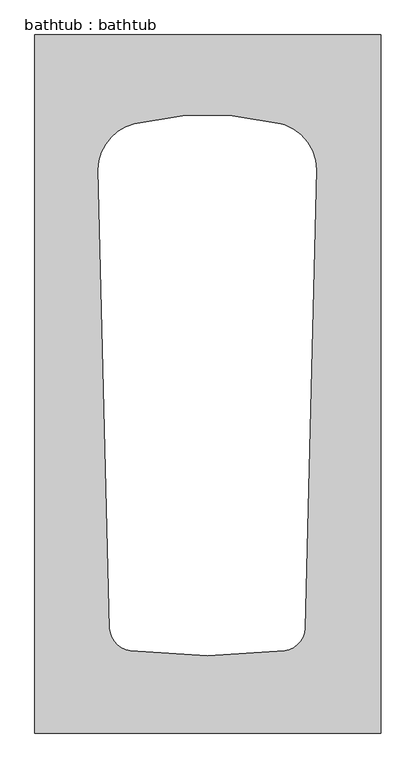
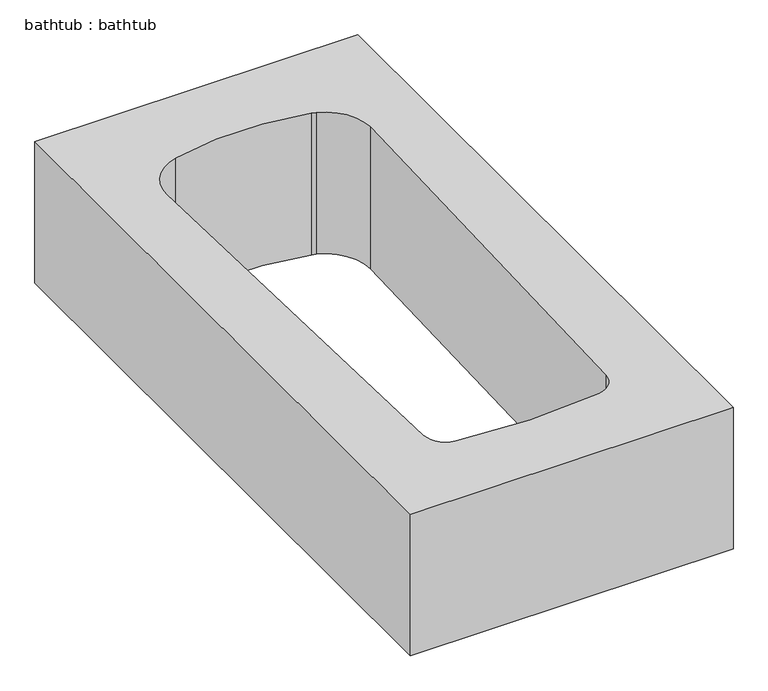
"""IFC4 building model written with IfcOpenShell, lengths in millimetres: proxy geometry, bathtub : bathtub."""

import ifcopenshell
import ifcopenshell.guid

model = None  # the IFC model being written
_history = None  # IfcOwnerHistory: only IFC2X3 demands one
_inside = {}  # id of a spatial element -> (the spatial element, [elements in it])
_under = {}  # id of a project, library or spatial element -> (it, [spatial elements below it])
_declared = {}  # id of a project -> (the project, [libraries it declares])
_typed = {}  # id of a type object -> (the type object, [elements of that type])
_made_of = {}  # id of a material, layer set ... -> (it, [elements and type objects made of it])


def new_model(schema):
    """Start an empty IFC model of exactly this schema.

    Asked for "IFC4X3", IfcOpenShell would pick the latest addendum, in which some entities
    have other attributes; the version numbers below select the first issue.
    IFC2X3 requires an IfcOwnerHistory on every rooted entity: one is made here for all.
    """
    global model, _history
    if schema == "IFC4X3":
        model = ifcopenshell.file(schema_version=(4, 3, 0, 0))
    else:
        model = ifcopenshell.file(schema=schema)
    _inside.clear()
    _under.clear()
    _declared.clear()
    _typed.clear()
    _made_of.clear()
    _history = None
    if model.schema == "IFC2X3":
        org = make("IfcOrganization", Name="unknown")
        user = make(
            "IfcPersonAndOrganization",
            ThePerson=make("IfcPerson", FamilyName="unknown"),
            TheOrganization=org,
        )
        app = make(
            "IfcApplication",
            ApplicationDeveloper=org,
            Version="unknown",
            ApplicationFullName="unknown",
            ApplicationIdentifier="unknown",
        )
        _history = make(
            "IfcOwnerHistory",
            OwningUser=user,
            OwningApplication=app,
            ChangeAction="ADDED",
            CreationDate=0,
        )
    return model


def make(cls, **values):
    """One entity of the class cls with the attributes given. An attribute that is None is left unset."""
    return model.create_entity(
        cls, **{name: value for name, value in values.items() if value is not None}
    )


def rooted(cls, **values):
    """An entity with a GlobalId (a new one), such as an element, a storey or a relation."""
    return make(cls, GlobalId=ifcopenshell.guid.new(), OwnerHistory=_history, **values)


def si_unit(unit_type, name, prefix=None):
    """IfcSIUnit, for example si_unit("LENGTHUNIT", "METRE", prefix="MILLI")."""
    return make("IfcSIUnit", UnitType=unit_type, Prefix=prefix, Name=name)


def assignment(units):
    """IfcUnitAssignment: the units of a project."""
    return None if units is None else make("IfcUnitAssignment", Units=units)


def point(xyz):
    """IfcCartesianPoint."""
    return None if xyz is None else make("IfcCartesianPoint", Coordinates=xyz)


def direction(xyz):
    """IfcDirection."""
    return None if xyz is None else make("IfcDirection", DirectionRatios=xyz)


def frame(location, z_axis=None, x_axis=None):
    """IfcAxis2Placement3D, a coordinate frame: its origin and axes. An axis left out is left unset."""
    return make(
        "IfcAxis2Placement3D",
        Location=point(location),
        Axis=direction(z_axis),
        RefDirection=direction(x_axis),
    )


def origin():
    """The frame at (0, 0, 0) with its axes left unset."""
    return frame((0.0, 0.0, 0.0))


def place(relative_to, where):
    """IfcLocalPlacement: puts the frame where relative to a parent placement (None: the world)."""
    return make(
        "IfcLocalPlacement", PlacementRelTo=relative_to, RelativePlacement=where
    )


def context(
    kind, dimensions, precision=None, world=None, true_north=None, identifier=None
):
    """IfcGeometricRepresentationContext, for example the 3D "Model" context."""
    return make(
        "IfcGeometricRepresentationContext",
        ContextIdentifier=identifier,
        ContextType=kind,
        CoordinateSpaceDimension=dimensions,
        Precision=precision,
        WorldCoordinateSystem=world,
        TrueNorth=true_north,
    )


def project(units=None, contexts=None):
    """IfcProject with its units and contexts."""
    return rooted(
        "IfcProject",
        Name="project",
        RepresentationContexts=contexts,
        UnitsInContext=assignment(units),
    )


def spatial(cls, under=None, at=None, **own):
    """A site, building, storey or space (cls), placed at a placement, below another one or the project."""
    s = rooted(cls, ObjectPlacement=at, **own)
    if under is not None:
        _under.setdefault(under.id(), (under, []))[1].append(s)
    return s


def polyline(points):
    """IfcPolyline through the points."""
    return make("IfcPolyline", Points=[point(p) for p in points])


def circle_curve(where, radius):
    """IfcCircle in the frame where."""
    return make("IfcCircle", Position=where, Radius=radius)


def shape(context_of_items, identifier, shape_type, items):
    """IfcShapeRepresentation: the items that make up one representation, for example the "Body"."""
    return make(
        "IfcShapeRepresentation",
        ContextOfItems=context_of_items,
        RepresentationIdentifier=identifier,
        RepresentationType=shape_type,
        Items=items,
    )


def source(mapping_origin, context_of_items, identifier, shape_type, items):
    """IfcRepresentationMap: a shape defined once, which mapped items show again and again."""
    return make(
        "IfcRepresentationMap",
        MappingOrigin=mapping_origin,
        MappedRepresentation=shape(context_of_items, identifier, shape_type, items),
    )


def transform(
    local_origin,
    x_axis=None,
    y_axis=None,
    z_axis=None,
    scale=None,
    scale2=None,
    scale3=None,
    uniform=True,
):
    """IfcCartesianTransformationOperator3D, or its non-uniform kind. x_axis, y_axis, z_axis: its Axis1, 2, 3."""
    if uniform:
        return make(
            "IfcCartesianTransformationOperator3D",
            Axis1=direction(x_axis),
            Axis2=direction(y_axis),
            LocalOrigin=point(local_origin),
            Scale=scale,
            Axis3=direction(z_axis),
        )
    return make(
        "IfcCartesianTransformationOperator3DnonUniform",
        Axis1=direction(x_axis),
        Axis2=direction(y_axis),
        LocalOrigin=point(local_origin),
        Scale=scale,
        Axis3=direction(z_axis),
        Scale2=scale2,
        Scale3=scale3,
    )


def mapped(mapping_source, mapping_target):
    """IfcMappedItem: shows the shape of a source again, moved by a transform."""
    return make(
        "IfcMappedItem", MappingSource=mapping_source, MappingTarget=mapping_target
    )


def made_of(thing, what):
    """Note that an element or type object is made of a material, layer set ...; save() writes the relation."""
    if what is not None:
        _made_of.setdefault(what.id(), (what, []))[1].append(thing)
    return thing


def element(
    cls,
    number,
    at=None,
    inside=None,
    cuts=None,
    type_object=None,
    material=None,
    context=None,
    identifier="Body",
    shape_type=None,
    held_by="IfcProductDefinitionShape",
    body=None,
    shapes=None,
    **own,
):
    """One element of the class cls, such as IfcWall. Its Tag is "e" and its number.

    at: its placement. inside: the storey or other place that contains it. cuts: it is an
    opening in that element (IfcRelVoidsElement). A single representation is given by context,
    identifier, shape_type and body (its items); several are given by shapes. held_by: the class
    of the entity that holds the representations. save() writes the other relations.
    """
    e = rooted(cls, Tag="e%d" % number, ObjectPlacement=at, **own)
    if body is not None:
        shapes = [shape(context, identifier, shape_type, body)]
    if shapes is not None:
        e.Representation = make(held_by, Representations=shapes)
    if inside is not None:
        _inside.setdefault(inside.id(), (inside, []))[1].append(e)
    if cuts is not None:
        rooted(
            "IfcRelVoidsElement", RelatingBuildingElement=cuts, RelatedOpeningElement=e
        )
    if type_object is not None:
        _typed.setdefault(type_object.id(), (type_object, []))[1].append(e)
    return made_of(e, material)


def aggregate(whole, parts):
    """IfcRelAggregates: a whole, such as a stair, and the parts it consists of."""
    return rooted("IfcRelAggregates", RelatingObject=whole, RelatedObjects=parts)


def save(model, path):
    """Write the relations noted so far, then the file.

    IfcRelAggregates (storeys below a building ...), IfcRelContainedInSpatialStructure (elements
    in a storey), IfcRelDefinesByType, IfcRelAssociatesMaterial and IfcRelDeclares: one each for
    every whole, place, type object, material and project.
    """
    for whole, parts in _under.values():
        aggregate(whole, parts)
    for where, things in _inside.values():
        rooted(
            "IfcRelContainedInSpatialStructure",
            RelatedElements=things,
            RelatingStructure=where,
        )
    for kind, things in _typed.values():
        rooted("IfcRelDefinesByType", RelatedObjects=things, RelatingType=kind)
    for what, things in _made_of.values():
        rooted("IfcRelAssociatesMaterial", RelatedObjects=things, RelatingMaterial=what)
    for by, libraries in _declared.values():
        rooted("IfcRelDeclares", RelatingContext=by, RelatedDefinitions=libraries)
    model.write(path)


def plane_surface(at):
    """IfcPlane: the flat surface through the origin of the frame at, square to its z axis."""
    return make("IfcPlane", Position=at)


def revolved_surface(curve, axis_point, axis_direction):
    """IfcSurfaceOfRevolution: the curve turned about the line through axis_point along axis_direction."""
    return make(
        "IfcSurfaceOfRevolution",
        SweptCurve=make("IfcArbitraryOpenProfileDef", ProfileType="CURVE", Curve=curve),
        AxisPosition=make("IfcAxis1Placement", Location=point(axis_point), Axis=direction(axis_direction)),
    )


def advanced_brep(points, edges, surfaces, faces):
    """IfcAdvancedBrep: a solid bounded by faces that lie on surfaces and meet in shared edges.

    An edge is (start, end): straight between two places in points (the first is 0);
    or (start, end, curve); or (start, end, curve, False) where it runs against its curve.
    A face is (place in surfaces, loops), or (place, loops, False) where it looks against
    its surface's normal. A loop lists edges by number (the first is 1), with a minus sign
    where the edge is run from its end to its start. The first loop is the outer one.
    """
    corners = [point(p) for p in points]
    vertices = [make("IfcVertexPoint", VertexGeometry=c) for c in corners]
    made = []
    for start, end, *more in edges:
        made.append(
            make(
                "IfcEdgeCurve",
                EdgeStart=vertices[start],
                EdgeEnd=vertices[end],
                EdgeGeometry=more[0] if more else make("IfcPolyline", Points=[corners[start], corners[end]]),
                SameSense=more[1] if len(more) > 1 else True,
            )
        )
    hull = []
    for where, loops, *sense in faces:
        bounds = []
        for j, loop in enumerate(loops):
            ring = [make("IfcOrientedEdge", EdgeElement=made[abs(k) - 1], Orientation=k > 0) for k in loop]
            bounds.append(
                make(
                    "IfcFaceOuterBound" if j == 0 else "IfcFaceBound",
                    Bound=make("IfcEdgeLoop", EdgeList=ring),
                    Orientation=True,
                )
            )
        hull.append(make("IfcAdvancedFace", Bounds=bounds, FaceSurface=surfaces[where], SameSense=sense[0] if sense else True))
    return make("IfcAdvancedBrep", Outer=make("IfcClosedShell", CfsFaces=hull))


def bathtub_bathtub_d71c1598(model_context):
    return source(origin(), model_context, "Body", "AdvancedBrep", [
        advanced_brep(
        [(-7340.862097, 10234.8501285, 3556.0206095), (-8436.0823603, 10234.8501285, 3556.0206095), (-8436.0823603, 8028.2251285, 3556.0206095), (-7340.862097, 8028.2251285, 3556.0206095), (-8120.4916473, 9954.3464392, 3556.0206095), (-7659.4634325, 9954.3440005, 3556.0206095), (-7646.4021302, 9950.3352717, 3556.0206095), (-7544.6632956, 9808.0840734, 3556.0206095), (-7581.1592395, 8359.6173934, 3556.0206095), (-7646.7474528, 8288.1387736, 3556.0206095), (-8133.4286656, 8288.1387736, 3556.0206095), (-8199.0109378, 8359.5057541, 3556.0206095), (-8235.5128228, 9808.0840734, 3556.0206095), (-7340.862097, 10234.8501285, 3048.0), (-7340.862097, 8028.2251285, 3048.0), (-8436.0823603, 8028.2251285, 3048.0), (-8436.0823603, 10234.8501285, 3048.0), (-8120.4916473, 9954.3464394, 3048.0), (-8235.5128228, 9808.0840734, 3048.0), (-8199.0168789, 8359.6173934, 3048.0), (-8133.4286656, 8288.1387736, 3048.0), (-7646.7474528, 8288.1387736, 3048.0), (-7581.1651806, 8359.5057541, 3048.0), (-7544.6632956, 9808.0840734, 3048.0), (-7646.4021302, 9950.3352717, 3048.0), (-7659.4634325, 9954.3440005, 3048.0)],
        [
            (0, 1),
            (1, 2),
            (2, 3),
            (3, 0),
            (4, 5, circle_curve(frame((-7889.9823604, 9043.0389271, 3556.0206095), z_axis=(0.0, 0.0, -1.0), x_axis=(0.0, 1.0, 0.0)), 940.0084643)),
            (5, 6),
            (6, 7, circle_curve(frame((-7697.0560657, 9806.5996157, 3556.0206095), z_axis=(0.0, 0.0, -1.0), x_axis=(0.0, 1.0, 0.0)), 152.4)),
            (7, 8, circle_curve(frame((-32786.3713229, 9719.3876053, 3556.0206095), z_axis=(0.0, 0.0, -1.0), x_axis=(0.0, 1.0, 0.0)), 25241.8638614)),
            (8, 9, circle_curve(frame((-7657.2545914, 8363.6109619, 3556.0206095), z_axis=(0.0, 0.0, -1.0), x_axis=(0.0, 1.0, 0.0)), 76.2000733)),
            (9, 10, circle_curve(frame((-7890.0880592, 10162.4628995, 3556.0206095), z_axis=(0.0, 0.0, -1.0), x_axis=(0.0, 1.0, 0.0)), 1890.0543854)),
            (10, 11, circle_curve(frame((-8122.921527, 8363.6109619, 3556.0206095), z_axis=(0.0, 0.0, -1.0), x_axis=(0.0, 1.0, 0.0)), 76.2000733)),
            (11, 12, circle_curve(frame((17006.1952045, 9719.3876053, 3556.0206095), z_axis=(0.0, 0.0, -1.0), x_axis=(0.0, 1.0, 0.0)), 25241.8638614)),
            (12, 4, circle_curve(frame((-8083.1200526, 9806.5996157, 3556.0206095), z_axis=(0.0, 0.0, -1.0), x_axis=(0.0, 1.0, 0.0)), 152.4)),
            (13, 14),
            (14, 15),
            (15, 16),
            (16, 13),
            (17, 18, circle_curve(frame((-8083.1200526, 9806.5996157, 3048.0), z_axis=(0.0, 0.0, 1.0), x_axis=(0.0, 1.0, 0.0)), 152.4)),
            (18, 19, circle_curve(frame((17006.1952045, 9719.3876053, 3048.0), z_axis=(0.0, 0.0, 1.0), x_axis=(0.0, 1.0, 0.0)), 25241.8638614)),
            (19, 20, circle_curve(frame((-8122.921527, 8363.6109619, 3048.0), z_axis=(0.0, 0.0, 1.0), x_axis=(0.0, 1.0, 0.0)), 76.2000733)),
            (20, 21, circle_curve(frame((-7890.0880592, 10162.4628995, 3048.0), z_axis=(0.0, 0.0, 1.0), x_axis=(0.0, 1.0, 0.0)), 1890.0543854)),
            (21, 22, circle_curve(frame((-7657.2545914, 8363.6109619, 3048.0), z_axis=(0.0, 0.0, 1.0), x_axis=(0.0, 1.0, 0.0)), 76.2000733)),
            (22, 23, circle_curve(frame((-32786.3713229, 9719.3876053, 3048.0), z_axis=(0.0, 0.0, 1.0), x_axis=(0.0, 1.0, 0.0)), 25241.8638614)),
            (23, 24, circle_curve(frame((-7697.0560657, 9806.5996157, 3048.0), z_axis=(0.0, 0.0, 1.0), x_axis=(0.0, 1.0, 0.0)), 152.4)),
            (24, 25),
            (25, 17, circle_curve(frame((-7889.9823604, 9043.0389271, 3048.0), z_axis=(0.0, 0.0, 1.0), x_axis=(0.0, 1.0, 0.0)), 940.0084643)),
            (0, 13),
            (16, 1),
            (15, 2),
            (14, 3),
            (4, 17),
            (25, 5),
            (24, 6),
            (23, 7),
            (22, 8),
            (21, 9),
            (20, 10),
            (19, 11),
            (18, 12),
        ],
        [
            plane_surface(frame((-8436.0823603, 10234.8501285, 3556.0206095), z_axis=(0.0, 0.0, 1.0), x_axis=(-1.0, 0.0, 0.0))),
            plane_surface(frame((-8436.0823603, 10234.8501285, 3048.0), z_axis=(0.0, 0.0, -1.0), x_axis=(1.0, 0.0, 0.0))),
            plane_surface(frame((-7340.862097, 10234.8501285, 3556.0206095), z_axis=(0.0, 1.0, 0.0), x_axis=(0.0, 0.0, -1.0))),
            plane_surface(frame((-8436.0823603, 10234.8501285, 3556.0206095), z_axis=(-1.0, 0.0, 0.0), x_axis=(0.0, 0.0, -1.0))),
            plane_surface(frame((-8436.0823603, 8028.2251285, 3556.0206095), z_axis=(0.0, -1.0, 0.0), x_axis=(0.0, 0.0, -1.0))),
            plane_surface(frame((-7340.862097, 8028.2251285, 3556.0206095), z_axis=(1.0, 0.0, 0.0), x_axis=(0.0, 0.0, -1.0))),
            revolved_surface(polyline([(-7889.9823604, 9983.0473914, 3048.0), (-7889.9823604, 9983.0473914, 3556.0206095)]), (-7889.9823604, 9043.0389271, 3048.0), (0.0, 0.0, -1.0)),
            plane_surface(frame((-7659.4634325, 9954.3440005, 3556.0206095), z_axis=(-0.29340822638733133, -0.9559872450447447, 0.0), x_axis=(0.0, 0.0, -1.0))),
            revolved_surface(polyline([(-7697.0560657, 9958.9996157, 3048.0), (-7697.0560657, 9958.9996157, 3556.0206095)]), (-7697.0560657, 9806.5996157, 3048.0), (0.0, 0.0, -1.0)),
            revolved_surface(polyline([(-32786.3713229, 34961.2514667, 3048.0), (-32786.3713229, 34961.2514667, 3556.0206095)]), (-32786.3713229, 9719.3876053, 3048.0), (0.0, 0.0, -1.0)),
            revolved_surface(polyline([(-7657.2545914, 8439.8110352, 3048.0), (-7657.2545914, 8439.8110352, 3556.0206095)]), (-7657.2545914, 8363.6109619, 3048.0), (0.0, 0.0, -1.0)),
            revolved_surface(polyline([(-7890.0880592, 12052.517284900001, 3048.0), (-7890.0880592, 12052.517284900001, 3556.0206095)]), (-7890.0880592, 10162.4628995, 3048.0), (0.0, 0.0, -1.0)),
            revolved_surface(polyline([(-8122.921527, 8439.8110352, 3048.0), (-8122.921527, 8439.8110352, 3556.0206095)]), (-8122.921527, 8363.6109619, 3048.0), (0.0, 0.0, -1.0)),
            revolved_surface(polyline([(17006.1952045, 34961.2514667, 3048.0), (17006.1952045, 34961.2514667, 3556.0206095)]), (17006.1952045, 9719.3876053, 3048.0), (0.0, 0.0, -1.0)),
            revolved_surface(polyline([(-8083.1200526, 9958.9996157, 3048.0), (-8083.1200526, 9958.9996157, 3556.0206095)]), (-8083.1200526, 9806.5996157, 3048.0), (0.0, 0.0, -1.0)),
        ],
        [
            (0, [[1, 2, 3, 4], [5, 6, 7, 8, 9, 10, 11, 12, 13]]),
            (1, [[14, 15, 16, 17], [18, 19, 20, 21, 22, 23, 24, 25, 26]]),
            (2, [[-1, 27, -17, 28]]),
            (3, [[-2, -28, -16, 29]]),
            (4, [[-3, -29, -15, 30]]),
            (5, [[-4, -30, -14, -27]]),
            (6, [[-5, 31, -26, 32]]),
            (7, [[-6, -32, -25, 33]]),
            (8, [[-7, -33, -24, 34]]),
            (9, [[-8, -34, -23, 35]]),
            (10, [[-9, -35, -22, 36]]),
            (11, [[-10, -36, -21, 37]]),
            (12, [[-11, -37, -20, 38]]),
            (13, [[-12, -38, -19, 39]]),
            (14, [[-13, -39, -18, -31]]),
        ],
    ),
    ])


if __name__ == "__main__":
    model = new_model("IFC4")
    model_context = context("Model", 3, world=origin())
    ifc_project = project(units=[si_unit("LENGTHUNIT", "METRE", prefix="MILLI")], contexts=[model_context])
    site = spatial("IfcSite", under=ifc_project)
    building = spatial("IfcBuilding", under=site)
    placement = place(None, origin())
    bathtub_bathtub_shape = bathtub_bathtub_d71c1598(model_context)
    element("IfcBuildingElementProxy", 1, Name="bathtub : bathtub", ObjectType="bathtub : bathtub", at=placement, inside=building, context=model_context, shape_type="MappedRepresentation", body=[
        mapped(bathtub_bathtub_shape, transform((0.0, 0.0, 0.0), x_axis=(1.0, 0.0, 0.0), y_axis=(0.0, 1.0, 0.0), z_axis=(0.0, 0.0, 1.0))),
    ])
    save(model, "model.ifc")
